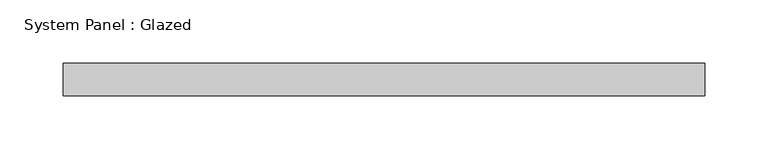
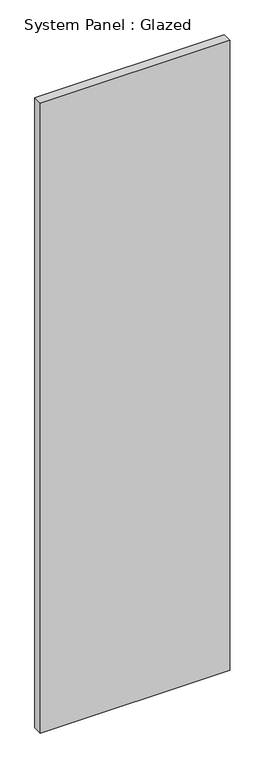
"""IFC4 building model written with IfcOpenShell, lengths in millimetres: plate geometry, System Panel : Glazed."""

from ifc_helpers import new_model, si_unit, origin, origin_with_axes, place, context, project, spatial, polyline, outline, extrude, source, transform, mapped, element, save


def system_panel_glazed_58e6aa55(model_context):
    return source(origin(), model_context, "Body", "SweptSolid", [
        extrude(outline(polyline([(252.375, 19.05), (-252.375, 19.05), (-252.375, 44.45), (252.375, 44.45), (252.375, 19.05)])), origin_with_axes(), (0.0, 0.0, 1.0), 1773.3),
    ])


if __name__ == "__main__":
    model = new_model("IFC4")
    model_context = context("Model", 3, world=origin())
    ifc_project = project(units=[si_unit("LENGTHUNIT", "METRE", prefix="MILLI")], contexts=[model_context])
    site = spatial("IfcSite", under=ifc_project)
    building = spatial("IfcBuilding", under=site)
    placement = place(None, origin())
    system_panel_glazed_shape = system_panel_glazed_58e6aa55(model_context)
    element("IfcPlate", 1, ObjectType="System Panel : Glazed", at=placement, inside=building, context=model_context, shape_type="MappedRepresentation", body=[
        mapped(system_panel_glazed_shape, transform((0.0, 0.0, 0.0), x_axis=(1.0, 0.0, 0.0), y_axis=(0.0, 1.0, 0.0), z_axis=(0.0, 0.0, 1.0))),
    ])
    save(model, "model.ifc")
